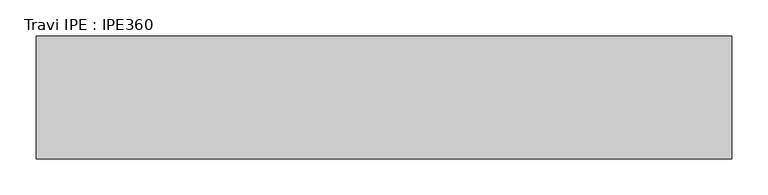
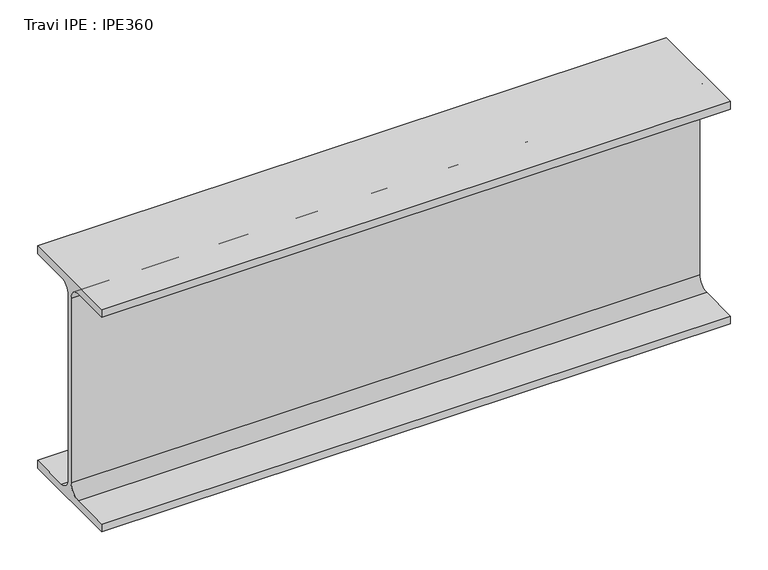
"""IFC4 building model written with IfcOpenShell, lengths in millimetres: beam geometry, Travi IPE : IPE360."""

from ifc_helpers import new_model, si_unit, point, frame, frame_2d, origin, place, context, project, spatial, polyline, circle_curve, trimmed, segment, composite_curve, outline, extrude, source, transform, mapped, element, save


def travi_ipe_ipe360_eec8cdc1(model_context):
    return source(origin(), model_context, "Body", "SweptSolid", [
        extrude(outline(composite_curve([segment(polyline([(85.0, -167.3), (85.0, -180.0), (-85.0, -180.0), (-85.0, -167.3), (-22.0, -167.3)]), True, "CONTINUOUS"), segment(trimmed(circle_curve(frame_2d((-22.0, -149.3)), 18.0), [point((-22.0, -167.3))], [point((-4.0, -149.3))], True, "CARTESIAN"), True, "CONTINUOUS"), segment(polyline([(-4.0, -149.3), (-4.0, 149.3)]), True, "CONTINUOUS"), segment(trimmed(circle_curve(frame_2d((-22.0, 149.3)), 18.0), [point((-4.0, 149.3))], [point((-22.0, 167.3))], True, "CARTESIAN"), True, "CONTINUOUS"), segment(polyline([(-22.0, 167.3), (-85.0, 167.3), (-85.0, 180.0), (85.0, 180.0), (85.0, 167.3), (22.0, 167.3)]), True, "CONTINUOUS"), segment(trimmed(circle_curve(frame_2d((22.0, 149.3)), 18.0), [point((22.0, 167.3))], [point((4.0, 149.3))], True, "CARTESIAN"), True, "CONTINUOUS"), segment(polyline([(4.0, 149.3), (4.0, -149.3)]), True, "CONTINUOUS"), segment(trimmed(circle_curve(frame_2d((22.0, -149.3)), 18.0), [point((4.0, -149.3))], [point((22.0, -167.3))], True, "CARTESIAN"), True, "CONTINUOUS"), segment(polyline([(22.0, -167.3), (85.0, -167.3)]), True, "CONTINUOUS")], self_intersect=False)), frame((-412.0, 0.0, 0.0), z_axis=(1.0, 0.0, 0.0), x_axis=(0.0, 1.0, 0.0)), (0.0, 0.0, 1.0), 962.0),
    ])


if __name__ == "__main__":
    model = new_model("IFC4")
    model_context = context("Model", 3, world=origin())
    ifc_project = project(units=[si_unit("LENGTHUNIT", "METRE", prefix="MILLI")], contexts=[model_context])
    site = spatial("IfcSite", under=ifc_project)
    building = spatial("IfcBuilding", under=site)
    placement = place(None, origin())
    travi_ipe_ipe360_shape = travi_ipe_ipe360_eec8cdc1(model_context)
    element("IfcBeam", 1, ObjectType="Travi IPE : IPE360", at=placement, inside=building, context=model_context, shape_type="MappedRepresentation", body=[
        mapped(travi_ipe_ipe360_shape, transform((0.0, 0.0, 0.0), x_axis=(1.0, 0.0, 0.0), y_axis=(0.0, 1.0, 0.0), z_axis=(0.0, 0.0, 1.0))),
    ])
    save(model, "model.ifc")
